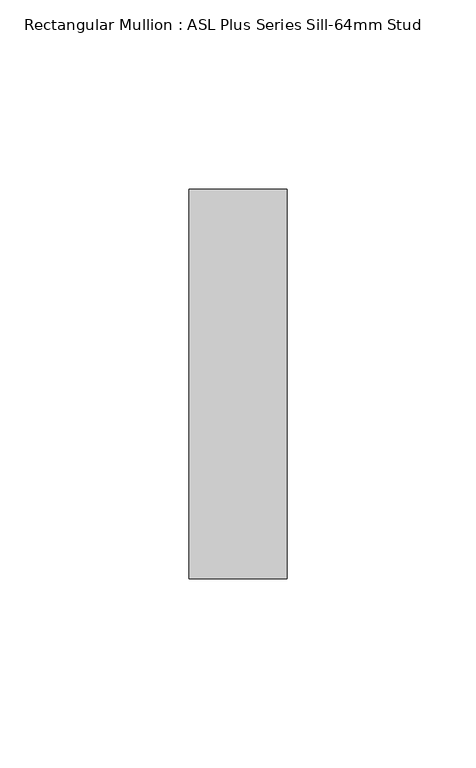
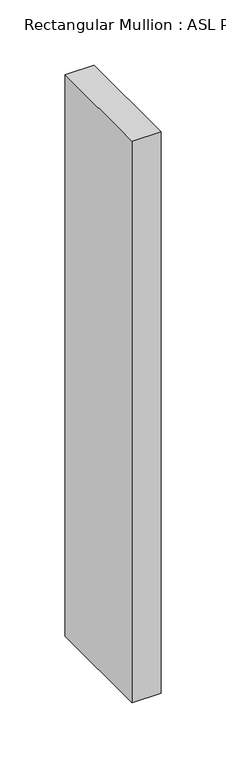
"""IFC4 building model written with IfcOpenShell, lengths in millimetres: member geometry, Rectangular Mullion : ASL Plus Series Sill-64mm Stud."""

from ifc_helpers import new_model, si_unit, frame, origin, place, context, project, spatial, polyline, outline, extrude, source, transform, mapped, element, save


def rectangular_mullion_asl_plus_series_sill_64mm_stud_a34e00e7(model_context):
    return source(origin(), model_context, "Body", "SweptSolid", [
        extrude(outline(polyline([(-26.0, 51.5), (0.0, 51.5), (0.0, -51.5), (-26.0, -51.5), (-26.0, 51.5)])), frame((0.0, 0.0, -527.0), z_axis=(0.0, 0.0, 1.0), x_axis=(1.0, 0.0, 0.0)), (0.0, 0.0, 1.0), 527.0),
    ])


if __name__ == "__main__":
    model = new_model("IFC4")
    model_context = context("Model", 3, world=origin())
    ifc_project = project(units=[si_unit("LENGTHUNIT", "METRE", prefix="MILLI")], contexts=[model_context])
    site = spatial("IfcSite", under=ifc_project)
    building = spatial("IfcBuilding", under=site)
    placement = place(None, origin())
    rectangular_mullion_asl_plus_series_sill_64mm_stud_shape = rectangular_mullion_asl_plus_series_sill_64mm_stud_a34e00e7(model_context)
    element("IfcMember", 1, ObjectType="Rectangular Mullion : ASL Plus Series Sill-64mm Stud", at=placement, inside=building, context=model_context, shape_type="MappedRepresentation", body=[
        mapped(rectangular_mullion_asl_plus_series_sill_64mm_stud_shape, transform((0.0, 0.0, 0.0), x_axis=(1.0, 0.0, 0.0), y_axis=(0.0, 1.0, 0.0), z_axis=(0.0, 0.0, 1.0))),
    ])
    save(model, "model.ifc")
